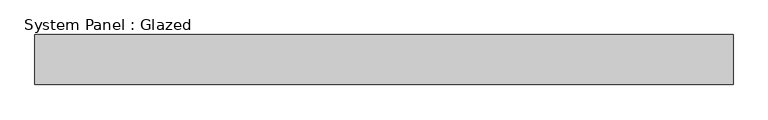
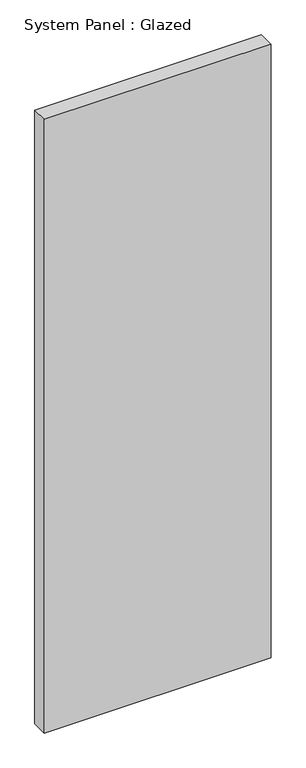
"""IFC4 building model written with IfcOpenShell, lengths in millimetres: plate geometry, System Panel : Glazed."""

import ifcopenshell
import ifcopenshell.guid

model = None  # the IFC model being written
_history = None  # IfcOwnerHistory: only IFC2X3 demands one
_inside = {}  # id of a spatial element -> (the spatial element, [elements in it])
_under = {}  # id of a project, library or spatial element -> (it, [spatial elements below it])
_declared = {}  # id of a project -> (the project, [libraries it declares])
_typed = {}  # id of a type object -> (the type object, [elements of that type])
_made_of = {}  # id of a material, layer set ... -> (it, [elements and type objects made of it])


def new_model(schema):
    """Start an empty IFC model of exactly this schema.

    Asked for "IFC4X3", IfcOpenShell would pick the latest addendum, in which some entities
    have other attributes; the version numbers below select the first issue.
    IFC2X3 requires an IfcOwnerHistory on every rooted entity: one is made here for all.
    """
    global model, _history
    if schema == "IFC4X3":
        model = ifcopenshell.file(schema_version=(4, 3, 0, 0))
    else:
        model = ifcopenshell.file(schema=schema)
    _inside.clear()
    _under.clear()
    _declared.clear()
    _typed.clear()
    _made_of.clear()
    _history = None
    if model.schema == "IFC2X3":
        org = make("IfcOrganization", Name="unknown")
        user = make(
            "IfcPersonAndOrganization",
            ThePerson=make("IfcPerson", FamilyName="unknown"),
            TheOrganization=org,
        )
        app = make(
            "IfcApplication",
            ApplicationDeveloper=org,
            Version="unknown",
            ApplicationFullName="unknown",
            ApplicationIdentifier="unknown",
        )
        _history = make(
            "IfcOwnerHistory",
            OwningUser=user,
            OwningApplication=app,
            ChangeAction="ADDED",
            CreationDate=0,
        )
    return model


def make(cls, **values):
    """One entity of the class cls with the attributes given. An attribute that is None is left unset."""
    return model.create_entity(
        cls, **{name: value for name, value in values.items() if value is not None}
    )


def rooted(cls, **values):
    """An entity with a GlobalId (a new one), such as an element, a storey or a relation."""
    return make(cls, GlobalId=ifcopenshell.guid.new(), OwnerHistory=_history, **values)


def si_unit(unit_type, name, prefix=None):
    """IfcSIUnit, for example si_unit("LENGTHUNIT", "METRE", prefix="MILLI")."""
    return make("IfcSIUnit", UnitType=unit_type, Prefix=prefix, Name=name)


def assignment(units):
    """IfcUnitAssignment: the units of a project."""
    return None if units is None else make("IfcUnitAssignment", Units=units)


def point(xyz):
    """IfcCartesianPoint."""
    return None if xyz is None else make("IfcCartesianPoint", Coordinates=xyz)


def direction(xyz):
    """IfcDirection."""
    return None if xyz is None else make("IfcDirection", DirectionRatios=xyz)


def frame(location, z_axis=None, x_axis=None):
    """IfcAxis2Placement3D, a coordinate frame: its origin and axes. An axis left out is left unset."""
    return make(
        "IfcAxis2Placement3D",
        Location=point(location),
        Axis=direction(z_axis),
        RefDirection=direction(x_axis),
    )


def origin():
    """The frame at (0, 0, 0) with its axes left unset."""
    return frame((0.0, 0.0, 0.0))


def origin_with_axes():
    """The frame at (0, 0, 0) with the z axis (0, 0, 1) and the x axis (1, 0, 0) written out."""
    return frame((0.0, 0.0, 0.0), z_axis=(0.0, 0.0, 1.0), x_axis=(1.0, 0.0, 0.0))


def place(relative_to, where):
    """IfcLocalPlacement: puts the frame where relative to a parent placement (None: the world)."""
    return make(
        "IfcLocalPlacement", PlacementRelTo=relative_to, RelativePlacement=where
    )


def context(
    kind, dimensions, precision=None, world=None, true_north=None, identifier=None
):
    """IfcGeometricRepresentationContext, for example the 3D "Model" context."""
    return make(
        "IfcGeometricRepresentationContext",
        ContextIdentifier=identifier,
        ContextType=kind,
        CoordinateSpaceDimension=dimensions,
        Precision=precision,
        WorldCoordinateSystem=world,
        TrueNorth=true_north,
    )


def project(units=None, contexts=None):
    """IfcProject with its units and contexts."""
    return rooted(
        "IfcProject",
        Name="project",
        RepresentationContexts=contexts,
        UnitsInContext=assignment(units),
    )


def spatial(cls, under=None, at=None, **own):
    """A site, building, storey or space (cls), placed at a placement, below another one or the project."""
    s = rooted(cls, ObjectPlacement=at, **own)
    if under is not None:
        _under.setdefault(under.id(), (under, []))[1].append(s)
    return s


def polyline(points):
    """IfcPolyline through the points."""
    return make("IfcPolyline", Points=[point(p) for p in points])


def outline(outer, holes=None, kind="AREA"):
    """IfcArbitraryClosedProfileDef: a profile drawn as a closed curve; with holes, ...WithVoids."""
    if holes is None:
        return make("IfcArbitraryClosedProfileDef", ProfileType=kind, OuterCurve=outer)
    return make(
        "IfcArbitraryProfileDefWithVoids",
        ProfileType=kind,
        OuterCurve=outer,
        InnerCurves=holes,
    )


def extrude(swept, where, along, depth):
    """IfcExtrudedAreaSolid: the profile swept, set in the frame where, extruded along a direction by depth."""
    return make(
        "IfcExtrudedAreaSolid",
        SweptArea=swept,
        Position=where,
        ExtrudedDirection=direction(along),
        Depth=depth,
    )


def shape(context_of_items, identifier, shape_type, items):
    """IfcShapeRepresentation: the items that make up one representation, for example the "Body"."""
    return make(
        "IfcShapeRepresentation",
        ContextOfItems=context_of_items,
        RepresentationIdentifier=identifier,
        RepresentationType=shape_type,
        Items=items,
    )


def source(mapping_origin, context_of_items, identifier, shape_type, items):
    """IfcRepresentationMap: a shape defined once, which mapped items show again and again."""
    return make(
        "IfcRepresentationMap",
        MappingOrigin=mapping_origin,
        MappedRepresentation=shape(context_of_items, identifier, shape_type, items),
    )


def transform(
    local_origin,
    x_axis=None,
    y_axis=None,
    z_axis=None,
    scale=None,
    scale2=None,
    scale3=None,
    uniform=True,
):
    """IfcCartesianTransformationOperator3D, or its non-uniform kind. x_axis, y_axis, z_axis: its Axis1, 2, 3."""
    if uniform:
        return make(
            "IfcCartesianTransformationOperator3D",
            Axis1=direction(x_axis),
            Axis2=direction(y_axis),
            LocalOrigin=point(local_origin),
            Scale=scale,
            Axis3=direction(z_axis),
        )
    return make(
        "IfcCartesianTransformationOperator3DnonUniform",
        Axis1=direction(x_axis),
        Axis2=direction(y_axis),
        LocalOrigin=point(local_origin),
        Scale=scale,
        Axis3=direction(z_axis),
        Scale2=scale2,
        Scale3=scale3,
    )


def mapped(mapping_source, mapping_target):
    """IfcMappedItem: shows the shape of a source again, moved by a transform."""
    return make(
        "IfcMappedItem", MappingSource=mapping_source, MappingTarget=mapping_target
    )


def made_of(thing, what):
    """Note that an element or type object is made of a material, layer set ...; save() writes the relation."""
    if what is not None:
        _made_of.setdefault(what.id(), (what, []))[1].append(thing)
    return thing


def element(
    cls,
    number,
    at=None,
    inside=None,
    cuts=None,
    type_object=None,
    material=None,
    context=None,
    identifier="Body",
    shape_type=None,
    held_by="IfcProductDefinitionShape",
    body=None,
    shapes=None,
    **own,
):
    """One element of the class cls, such as IfcWall. Its Tag is "e" and its number.

    at: its placement. inside: the storey or other place that contains it. cuts: it is an
    opening in that element (IfcRelVoidsElement). A single representation is given by context,
    identifier, shape_type and body (its items); several are given by shapes. held_by: the class
    of the entity that holds the representations. save() writes the other relations.
    """
    e = rooted(cls, Tag="e%d" % number, ObjectPlacement=at, **own)
    if body is not None:
        shapes = [shape(context, identifier, shape_type, body)]
    if shapes is not None:
        e.Representation = make(held_by, Representations=shapes)
    if inside is not None:
        _inside.setdefault(inside.id(), (inside, []))[1].append(e)
    if cuts is not None:
        rooted(
            "IfcRelVoidsElement", RelatingBuildingElement=cuts, RelatedOpeningElement=e
        )
    if type_object is not None:
        _typed.setdefault(type_object.id(), (type_object, []))[1].append(e)
    return made_of(e, material)


def aggregate(whole, parts):
    """IfcRelAggregates: a whole, such as a stair, and the parts it consists of."""
    return rooted("IfcRelAggregates", RelatingObject=whole, RelatedObjects=parts)


def save(model, path):
    """Write the relations noted so far, then the file.

    IfcRelAggregates (storeys below a building ...), IfcRelContainedInSpatialStructure (elements
    in a storey), IfcRelDefinesByType, IfcRelAssociatesMaterial and IfcRelDeclares: one each for
    every whole, place, type object, material and project.
    """
    for whole, parts in _under.values():
        aggregate(whole, parts)
    for where, things in _inside.values():
        rooted(
            "IfcRelContainedInSpatialStructure",
            RelatedElements=things,
            RelatingStructure=where,
        )
    for kind, things in _typed.values():
        rooted("IfcRelDefinesByType", RelatedObjects=things, RelatingType=kind)
    for what, things in _made_of.values():
        rooted("IfcRelAssociatesMaterial", RelatedObjects=things, RelatingMaterial=what)
    for by, libraries in _declared.values():
        rooted("IfcRelDeclares", RelatingContext=by, RelatedDefinitions=libraries)
    model.write(path)


def system_panel_glazed_b051777f(model_context):
    return source(origin(), model_context, "Body", "SweptSolid", [
        extrude(outline(polyline([(700.0, 50.0), (-700.0, 50.0), (-700.0, 150.0), (700.0, 150.0), (700.0, 50.0)])), origin_with_axes(), (0.0, 0.0, 1.0), 4000.0),
    ])


if __name__ == "__main__":
    model = new_model("IFC4")
    model_context = context("Model", 3, world=origin())
    ifc_project = project(units=[si_unit("LENGTHUNIT", "METRE", prefix="MILLI")], contexts=[model_context])
    site = spatial("IfcSite", under=ifc_project)
    building = spatial("IfcBuilding", under=site)
    placement = place(None, origin())
    system_panel_glazed_shape = system_panel_glazed_b051777f(model_context)
    element("IfcPlate", 1, ObjectType="System Panel : Glazed", at=placement, inside=building, context=model_context, shape_type="MappedRepresentation", body=[
        mapped(system_panel_glazed_shape, transform((0.0, 0.0, 0.0), x_axis=(1.0, 0.0, 0.0), y_axis=(0.0, 1.0, 0.0), z_axis=(0.0, 0.0, 1.0))),
    ])
    save(model, "model.ifc")
